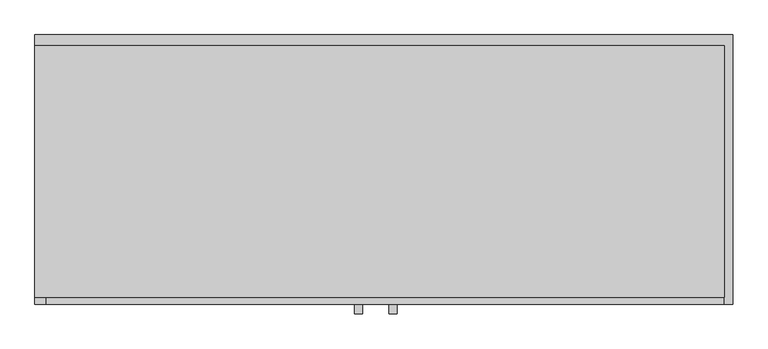
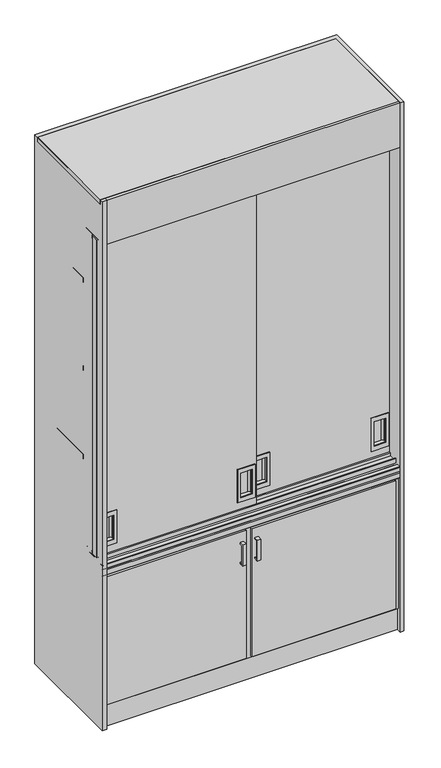
"""IFC4 building model written with IfcOpenShell, lengths in millimetres: furniture geometry."""

from ifc_helpers import new_model, si_unit, point, frame, frame_2d, origin, origin_with_axes, place, context, project, spatial, polyline, circle_curve, trimmed, segment, composite_curve, outline, extrude, source, transform, mapped, element, save
from ifc_brep_helpers import plane_surface, revolved_surface, advanced_brep


def furniture_bfd0f9ec(model_context):
    return source(origin(), model_context, "Body", "SolidModel", [
        extrude(outline(polyline([(1085.0, -487.0036021), (-193.7887178, -487.0036021), (-193.7887178, -20.0), (1085.0, -20.0), (1085.0, -487.0036021)])), frame((0.0, 0.0, 2380.0), z_axis=(0.0, 0.0, 1.0), x_axis=(1.0, 0.0, 0.0)), (0.0, 0.0, 1.0), 20.0),
        extrude(outline(polyline([(950.0, 570.0), (950.0, 495.0), (800.0, 495.0), (800.0, 570.0), (950.0, 570.0)]), holes=[polyline([(930.0, 507.5), (930.0, 557.5), (820.0, 557.5), (820.0, 507.5), (930.0, 507.5)])]), frame((0.0, -422.5, 0.0), z_axis=(0.0, 1.0, 0.0), x_axis=(0.0, 0.0, 1.0)), (0.0, 0.0, 1.0), 2.5),
        extrude(outline(polyline([(950.0, 483.75), (950.0, 408.75), (800.0, 408.75), (800.0, 483.75), (950.0, 483.75)]), holes=[polyline([(930.0, 421.25), (930.0, 471.25), (820.0, 471.25), (820.0, 421.25), (930.0, 421.25)])]), frame((0.0, -462.5, 0.0), z_axis=(0.0, 1.0, 0.0), x_axis=(0.0, 0.0, 1.0)), (0.0, 0.0, 1.0), 2.5),
        extrude(outline(polyline([(950.0, 1080.0), (950.0, 1005.0), (800.0, 1005.0), (800.0, 1080.0), (950.0, 1080.0)]), holes=[polyline([(930.0, 1017.5), (930.0, 1067.5), (820.0, 1067.5), (820.0, 1017.5), (930.0, 1017.5)])]), frame((0.0, -422.5, 0.0), z_axis=(0.0, 1.0, 0.0), x_axis=(0.0, 0.0, 1.0)), (0.0, 0.0, 1.0), 2.5),
        advanced_brep(
        [(489.1451604, -390.0, 2200.0), (489.1451604, -420.0, 2200.0), (1085.0, -420.0, 2200.0), (1085.0, -390.0, 2200.0), (489.1451604, -390.0, 760.0), (1085.0, -390.0, 760.0), (1085.0, -420.0, 760.0), (489.1451604, -420.0, 760.0), (1017.5, -420.0, 930.0), (1067.5, -420.0, 930.0), (1067.5, -420.0, 820.0), (1017.5, -420.0, 820.0), (507.5, -420.0, 930.0), (557.5, -420.0, 930.0), (557.5, -420.0, 820.0), (507.5, -420.0, 820.0), (1017.5, -410.5, 930.0), (1025.5, -402.5, 930.0), (1059.5, -402.5, 930.0), (1067.5, -410.5, 930.0), (1067.5, -410.5, 820.0), (1059.5, -402.5, 820.0), (1025.5, -402.5, 820.0), (1017.5, -410.5, 820.0), (507.5, -410.5, 930.0), (515.5, -402.5, 930.0), (549.5, -402.5, 930.0), (557.5, -410.5, 930.0), (557.5, -410.5, 820.0), (549.5, -402.5, 820.0), (515.5, -402.5, 820.0), (507.5, -410.5, 820.0)],
        [
            (0, 1),
            (1, 2),
            (2, 3),
            (3, 0),
            (4, 5),
            (5, 6),
            (6, 7),
            (7, 4),
            (0, 4),
            (7, 1),
            (6, 2),
            (8, 9),
            (9, 10),
            (10, 11),
            (11, 8),
            (12, 13),
            (13, 14),
            (14, 15),
            (15, 12),
            (5, 3),
            (16, 17, circle_curve(frame((1025.5, -410.5, 930.0), z_axis=(0.0, 0.0, -1.0), x_axis=(1.0, 0.0, 0.0)), 8.0)),
            (17, 18),
            (18, 19, circle_curve(frame((1059.5, -410.5, 930.0), z_axis=(0.0, 0.0, -1.0), x_axis=(-1.0, 0.0, 0.0)), 8.0)),
            (19, 9),
            (8, 16),
            (20, 21, circle_curve(frame((1059.5, -410.5, 820.0), z_axis=(0.0, 0.0, 1.0), x_axis=(-1.0, 0.0, 0.0)), 8.0)),
            (21, 22),
            (22, 23, circle_curve(frame((1025.5, -410.5, 820.0), z_axis=(0.0, 0.0, 1.0), x_axis=(1.0, 0.0, 0.0)), 8.0)),
            (23, 11),
            (10, 20),
            (19, 20),
            (18, 21),
            (17, 22),
            (16, 23),
            (24, 25, circle_curve(frame((515.5, -410.5, 930.0), z_axis=(0.0, 0.0, -1.0), x_axis=(1.0, 0.0, 0.0)), 8.0)),
            (25, 26),
            (26, 27, circle_curve(frame((549.5, -410.5, 930.0), z_axis=(0.0, 0.0, -1.0), x_axis=(-1.0, 0.0, 0.0)), 8.0)),
            (27, 13),
            (12, 24),
            (28, 29, circle_curve(frame((549.5, -410.5, 820.0), z_axis=(0.0, 0.0, 1.0), x_axis=(-1.0, 0.0, 0.0)), 8.0)),
            (29, 30),
            (30, 31, circle_curve(frame((515.5, -410.5, 820.0), z_axis=(0.0, 0.0, 1.0), x_axis=(1.0, 0.0, 0.0)), 8.0)),
            (31, 15),
            (14, 28),
            (27, 28),
            (26, 29),
            (25, 30),
            (24, 31),
        ],
        [
            plane_surface(frame((489.1451604, -420.0, 2200.0), z_axis=(0.0, 0.0, 1.0), x_axis=(0.0, -1.0, 0.0))),
            plane_surface(frame((489.1451604, -420.0, 760.0), z_axis=(0.0, 0.0, -1.0), x_axis=(0.0, 1.0, 0.0))),
            plane_surface(frame((489.1451604, -390.0, 2200.0), z_axis=(-1.0, 0.0, 0.0), x_axis=(0.0, 0.0, -1.0))),
            plane_surface(frame((489.1451604, -420.0, 2200.0), z_axis=(0.0, -1.0, 0.0), x_axis=(0.0, 0.0, -1.0))),
            plane_surface(frame((1085.0, -420.0, 2200.0), z_axis=(1.0, 0.0, 0.0), x_axis=(0.0, 0.0, -1.0))),
            plane_surface(frame((1085.0, -390.0, 2200.0), z_axis=(0.0, 1.0, 0.0), x_axis=(0.0, 0.0, -1.0))),
            plane_surface(frame((1017.5, -425.0, 930.0), z_axis=(0.0, 0.0, -1.0), x_axis=(1.0, 0.0, 0.0))),
            plane_surface(frame((1017.5, -425.0, 820.0), z_axis=(0.0, 0.0, 1.0), x_axis=(-1.0, 0.0, 0.0))),
            plane_surface(frame((1067.5, -425.0, 930.0), z_axis=(-1.0, 0.0, 0.0), x_axis=(0.0, 0.0, -1.0))),
            revolved_surface(polyline([(1051.5, -410.5, 930.0), (1051.5, -410.5, 820.0)]), (1059.5, -410.5, 820.0), (0.0, 0.0, 1.0)),
            plane_surface(frame((1059.5, -402.5, 930.0), z_axis=(0.0, -1.0, 0.0), x_axis=(0.0, 0.0, -1.0))),
            revolved_surface(polyline([(1033.5, -410.5, 930.0), (1033.5, -410.5, 820.0)]), (1025.5, -410.5, 820.0), (0.0, 0.0, 1.0)),
            plane_surface(frame((1017.5, -410.5, 930.0), z_axis=(1.0, 0.0, 0.0), x_axis=(0.0, 0.0, -1.0))),
            plane_surface(frame((557.5, -425.0, 930.0), z_axis=(0.0, 0.0, -1.0), x_axis=(0.0, 1.0, 0.0))),
            plane_surface(frame((557.5, -425.0, 820.0), z_axis=(0.0, 0.0, 1.0), x_axis=(0.0, -1.0, 0.0))),
            plane_surface(frame((557.5, -425.0, 930.0), z_axis=(-1.0, 0.0, 0.0), x_axis=(0.0, 0.0, -1.0))),
            revolved_surface(polyline([(541.5, -410.5, 930.0), (541.5, -410.5, 820.0)]), (549.5, -410.5, 820.0), (0.0, 0.0, 1.0)),
            plane_surface(frame((549.5, -402.5, 930.0), z_axis=(0.0, -1.0, 0.0), x_axis=(0.0, 0.0, -1.0))),
            revolved_surface(polyline([(523.5, -410.5, 930.0), (523.5, -410.5, 820.0)]), (515.5, -410.5, 820.0), (0.0, 0.0, 1.0)),
            plane_surface(frame((507.5, -410.5, 930.0), z_axis=(1.0, 0.0, 0.0), x_axis=(0.0, 0.0, -1.0))),
        ],
        [
            (0, [[1, 2, 3, 4]]),
            (1, [[5, 6, 7, 8]]),
            (2, [[-1, 9, -8, 10]]),
            (3, [[-2, -10, -7, 11], [12, 13, 14, 15], [16, 17, 18, 19]]),
            (4, [[-3, -11, -6, 20]]),
            (5, [[-4, -20, -5, -9]]),
            (6, [[21, 22, 23, 24, -12, 25]]),
            (7, [[26, 27, 28, 29, -14, 30]]),
            (8, [[31, -30, -13, -24]]),
            (9, [[-23, 32, -26, -31]]),
            (10, [[-22, 33, -27, -32]]),
            (11, [[-21, 34, -28, -33]]),
            (12, [[-34, -25, -15, -29]]),
            (13, [[35, 36, 37, 38, -16, 39]]),
            (14, [[40, 41, 42, 43, -18, 44]]),
            (15, [[45, -44, -17, -38]]),
            (16, [[-37, 46, -40, -45]]),
            (17, [[-36, 47, -41, -46]]),
            (18, [[-35, 48, -42, -47]]),
            (19, [[-48, -39, -19, -43]]),
        ],
    ),
        extrude(outline(polyline([(950.0, -110.0), (950.0, -185.0), (800.0, -185.0), (800.0, -110.0), (950.0, -110.0)]), holes=[polyline([(930.0, -172.5), (930.0, -122.5), (820.0, -122.5), (820.0, -172.5), (930.0, -172.5)])]), frame((0.0, -462.5, 0.0), z_axis=(0.0, 1.0, 0.0), x_axis=(0.0, 0.0, 1.0)), (0.0, 0.0, 1.0), 2.5),
        advanced_brep(
        [(-193.75, -430.0, 2200.0), (-193.75, -460.0, 2200.0), (489.1451604, -460.0, 2200.0), (489.1451604, -430.0, 2200.0), (-193.75, -430.0, 760.0), (489.1451604, -430.0, 760.0), (489.1451604, -460.0, 760.0), (-193.75, -460.0, 760.0), (-172.5, -460.0, 930.0), (-122.5, -460.0, 930.0), (-122.5, -460.0, 820.0), (-172.5, -460.0, 820.0), (421.25, -460.0, 930.0), (471.25, -460.0, 930.0), (471.25, -460.0, 820.0), (421.25, -460.0, 820.0), (-172.5, -450.5, 930.0), (-164.5, -442.5, 930.0), (-130.5, -442.5, 930.0), (-122.5, -450.5, 930.0), (-122.5, -450.5, 820.0), (-130.5, -442.5, 820.0), (-164.5, -442.5, 820.0), (-172.5, -450.5, 820.0), (421.25, -450.5, 930.0), (429.25, -442.5, 930.0), (463.25, -442.5, 930.0), (471.25, -450.5, 930.0), (471.25, -450.5, 820.0), (463.25, -442.5, 820.0), (429.25, -442.5, 820.0), (421.25, -450.5, 820.0)],
        [
            (0, 1),
            (1, 2),
            (2, 3),
            (3, 0),
            (4, 5),
            (5, 6),
            (6, 7),
            (7, 4),
            (0, 4),
            (7, 1),
            (6, 2),
            (8, 9),
            (9, 10),
            (10, 11),
            (11, 8),
            (12, 13),
            (13, 14),
            (14, 15),
            (15, 12),
            (5, 3),
            (16, 17, circle_curve(frame((-164.5, -450.5, 930.0), z_axis=(0.0, 0.0, -1.0), x_axis=(1.0, 0.0, 0.0)), 8.0)),
            (17, 18),
            (18, 19, circle_curve(frame((-130.5, -450.5, 930.0), z_axis=(0.0, 0.0, -1.0), x_axis=(-1.0, 0.0, 0.0)), 8.0)),
            (19, 9),
            (8, 16),
            (20, 21, circle_curve(frame((-130.5, -450.5, 820.0), z_axis=(0.0, 0.0, 1.0), x_axis=(-1.0, 0.0, 0.0)), 8.0)),
            (21, 22),
            (22, 23, circle_curve(frame((-164.5, -450.5, 820.0), z_axis=(0.0, 0.0, 1.0), x_axis=(1.0, 0.0, 0.0)), 8.0)),
            (23, 11),
            (10, 20),
            (23, 16),
            (19, 20),
            (18, 21),
            (17, 22),
            (24, 25, circle_curve(frame((429.25, -450.5, 930.0), z_axis=(0.0, 0.0, -1.0), x_axis=(1.0, 0.0, 0.0)), 8.0)),
            (25, 26),
            (26, 27, circle_curve(frame((463.25, -450.5, 930.0), z_axis=(0.0, 0.0, -1.0), x_axis=(-1.0, 0.0, 0.0)), 8.0)),
            (27, 13),
            (12, 24),
            (28, 29, circle_curve(frame((463.25, -450.5, 820.0), z_axis=(0.0, 0.0, 1.0), x_axis=(-1.0, 0.0, 0.0)), 8.0)),
            (29, 30),
            (30, 31, circle_curve(frame((429.25, -450.5, 820.0), z_axis=(0.0, 0.0, 1.0), x_axis=(1.0, 0.0, 0.0)), 8.0)),
            (31, 15),
            (14, 28),
            (27, 28),
            (26, 29),
            (25, 30),
            (24, 31),
        ],
        [
            plane_surface(frame((-193.75, -460.0, 2200.0), z_axis=(0.0, 0.0, 1.0), x_axis=(0.0, -1.0, 0.0))),
            plane_surface(frame((-193.75, -460.0, 760.0), z_axis=(0.0, 0.0, -1.0), x_axis=(0.0, 1.0, 0.0))),
            plane_surface(frame((-193.75, -430.0, 2200.0), z_axis=(-1.0, 0.0, 0.0), x_axis=(0.0, 0.0, -1.0))),
            plane_surface(frame((-193.75, -460.0, 2200.0), z_axis=(0.0, -1.0, 0.0), x_axis=(0.0, 0.0, -1.0))),
            plane_surface(frame((489.1451604, -460.0, 2200.0), z_axis=(1.0, 0.0, 0.0), x_axis=(0.0, 0.0, -1.0))),
            plane_surface(frame((489.1451604, -430.0, 2200.0), z_axis=(0.0, 1.0, 0.0), x_axis=(0.0, 0.0, -1.0))),
            plane_surface(frame((-172.5, -462.5, 930.0), z_axis=(0.0, 0.0, -1.0), x_axis=(0.0, -1.0, 0.0))),
            plane_surface(frame((-172.5, -462.5, 820.0), z_axis=(0.0, 0.0, 1.0), x_axis=(0.0, 1.0, 0.0))),
            plane_surface(frame((-172.5, -450.5, 930.0), z_axis=(1.0, 0.0, 0.0), x_axis=(0.0, 0.0, -1.0))),
            plane_surface(frame((-122.5, -465.0, 930.0), z_axis=(-1.0, 0.0, 0.0), x_axis=(0.0, 0.0, -1.0))),
            revolved_surface(polyline([(-138.5, -450.5, 930.0), (-138.5, -450.5, 820.0)]), (-130.5, -450.5, 820.0), (0.0, 0.0, 1.0)),
            plane_surface(frame((-130.5, -442.5, 930.0), z_axis=(0.0, -1.0, 0.0), x_axis=(0.0, 0.0, -1.0))),
            revolved_surface(polyline([(-156.5, -450.5, 930.0), (-156.5, -450.5, 820.0)]), (-164.5, -450.5, 820.0), (0.0, 0.0, 1.0)),
            plane_surface(frame((793.75, -465.0, 930.0), z_axis=(0.0, 0.0, -1.0), x_axis=(1.0, 0.0, 0.0))),
            plane_surface(frame((793.75, -465.0, 820.0), z_axis=(0.0, 0.0, 1.0), x_axis=(-1.0, 0.0, 0.0))),
            plane_surface(frame((471.25, -465.0, 930.0), z_axis=(-1.0, 0.0, 0.0), x_axis=(0.0, 0.0, -1.0))),
            revolved_surface(polyline([(455.25, -450.5, 930.0), (455.25, -450.5, 820.0)]), (463.25, -450.5, 820.0), (0.0, 0.0, 1.0)),
            plane_surface(frame((463.25, -442.5, 930.0), z_axis=(0.0, -1.0, 0.0), x_axis=(0.0, 0.0, -1.0))),
            revolved_surface(polyline([(437.25, -450.5, 930.0), (437.25, -450.5, 820.0)]), (429.25, -450.5, 820.0), (0.0, 0.0, 1.0)),
            plane_surface(frame((421.25, -450.5, 930.0), z_axis=(1.0, 0.0, 0.0), x_axis=(0.0, 0.0, -1.0))),
        ],
        [
            (0, [[1, 2, 3, 4]]),
            (1, [[5, 6, 7, 8]]),
            (2, [[-1, 9, -8, 10]]),
            (3, [[-2, -10, -7, 11], [12, 13, 14, 15], [16, 17, 18, 19]]),
            (4, [[-3, -11, -6, 20]]),
            (5, [[-4, -20, -5, -9]]),
            (6, [[21, 22, 23, 24, -12, 25]]),
            (7, [[26, 27, 28, 29, -14, 30]]),
            (8, [[31, -25, -15, -29]]),
            (9, [[32, -30, -13, -24]]),
            (10, [[-23, 33, -26, -32]]),
            (11, [[-22, 34, -27, -33]]),
            (12, [[-21, -31, -28, -34]]),
            (13, [[35, 36, 37, 38, -16, 39]]),
            (14, [[40, 41, 42, 43, -18, 44]]),
            (15, [[45, -44, -17, -38]]),
            (16, [[-37, 46, -40, -45]]),
            (17, [[-36, 47, -41, -46]]),
            (18, [[-35, 48, -42, -47]]),
            (19, [[-48, -39, -19, -43]]),
        ],
    ),
        extrude(outline(polyline([(1100.0, 0.0), (1100.0, -500.0), (1085.0, -500.0), (1085.0, -20.0), (-173.7887178, -20.0), (-173.7887178, -500.0), (-193.7887178, -500.0), (-193.7887178, 0.0), (1100.0, 0.0)])), origin_with_axes(), (0.0, 0.0, 1.0), 2400.0),
        extrude(outline(polyline([(1085.0, -20.0), (1085.0, -360.0), (-193.7887178, -360.0), (-193.7887178, -20.0), (1085.0, -20.0)])), frame((0.0, 0.0, 1950.0), z_axis=(0.0, 0.0, 1.0), x_axis=(1.0, 0.0, 0.0)), (0.0, 0.0, 1.0), 20.0),
        extrude(outline(polyline([(-193.75, -360.0), (-193.75, -20.0), (1085.0, -20.0), (1085.0, -360.0), (-193.75, -360.0)])), frame((0.0, 0.0, 1550.0), z_axis=(0.0, 0.0, 1.0), x_axis=(1.0, 0.0, 0.0)), (0.0, 0.0, 1.0), 20.0),
        extrude(outline(polyline([(1085.0, -20.0), (1085.0, -360.0), (-193.75, -360.0), (-193.75, -20.0), (1085.0, -20.0)])), frame((0.0, 0.0, 1150.0), z_axis=(0.0, 0.0, 1.0), x_axis=(1.0, 0.0, 0.0)), (0.0, 0.0, 1.0), 20.0),
        extrude(outline(polyline([(-470.0, 2210.0), (-382.680609, 2210.0), (-382.680609, 2190.0), (-387.680609, 2190.0), (-387.680609, 2205.0), (-422.680609, 2205.0), (-422.680609, 2190.0), (-427.680609, 2190.0), (-427.680609, 2205.0), (-465.0, 2205.0), (-465.0, 2190.0), (-470.0, 2190.0), (-470.0, 2210.0)])), frame((-193.7887178, 0.0, 0.0), z_axis=(1.0, 0.0, 0.0), x_axis=(0.0, 1.0, 0.0)), (0.0, 0.0, 1.0), 1278.7887178),
        extrude(outline(polyline([(-470.0, 750.0), (-470.0, 770.0), (-465.0, 770.0), (-465.0, 755.0), (-427.680609, 755.0), (-427.680609, 770.0), (-422.680609, 770.0), (-422.680609, 755.0), (-387.680609, 755.0), (-387.680609, 770.0), (-382.680609, 770.0), (-382.680609, 750.0), (-470.0, 750.0)])), frame((-193.75, 0.0, 0.0), z_axis=(1.0, 0.0, 0.0), x_axis=(0.0, 1.0, 0.0)), (0.0, 0.0, 1.0), 1278.75),
        extrude(outline(polyline([(-517.0036021, 645.0), (-497.0036021, 645.0), (-497.0036021, 640.0), (-512.0036021, 640.0), (-512.0036021, 555.0), (-497.0036021, 555.0), (-497.0036021, 550.0), (-517.0036021, 550.0), (-517.0036021, 645.0)])), frame((462.5, 0.0, 0.0), z_axis=(1.0, 0.0, 0.0), x_axis=(0.0, 1.0, 0.0)), (0.0, 0.0, 1.0), 15.0),
        extrude(outline(polyline([(-517.0036021, 645.0), (-497.0036021, 645.0), (-497.0036021, 640.0), (-512.0036021, 640.0), (-512.0036021, 555.0), (-497.0036021, 555.0), (-497.0036021, 550.0), (-517.0036021, 550.0), (-517.0036021, 645.0)])), frame((398.75, 0.0, 0.0), z_axis=(1.0, 0.0, 0.0), x_axis=(0.0, 1.0, 0.0)), (0.0, 0.0, 1.0), 15.0),
        extrude(outline(polyline([(-172.5, -487.0036021), (426.25, -487.0036021), (426.25, -497.0036021), (-172.5, -497.0036021), (-172.5, -487.0036021)])), frame((0.0, 0.0, 110.0), z_axis=(0.0, 0.0, 1.0), x_axis=(1.0, 0.0, 0.0)), (0.0, 0.0, 1.0), 580.0),
        extrude(outline(polyline([(449.1181086, -487.0036021), (1067.5, -487.0036021), (1067.5, -497.0036021), (449.1181086, -497.0036021), (449.1181086, -487.0036021)])), frame((0.0, 0.0, 110.0), z_axis=(0.0, 0.0, 1.0), x_axis=(1.0, 0.0, 0.0)), (0.0, 0.0, 1.0), 580.0),
        extrude(outline(polyline([(1085.0, -500.0), (-193.7887178, -500.0), (-193.7887178, -487.0036021), (1085.0, -487.0036021), (1085.0, -500.0)])), frame((0.0, 0.0, 2200.0), z_axis=(0.0, 0.0, 1.0), x_axis=(1.0, 0.0, 0.0)), (0.0, 0.0, 1.0), 200.0),
        extrude(outline(composite_curve([segment(polyline([(-480.0, 700.0), (-498.2645772, 700.0)]), True, "CONTINUOUS"), segment(trimmed(circle_curve(frame_2d((-498.2645772, 701.7354228)), 1.7354228), [point((-498.2645772, 700.0))], [point((-500.0, 701.7354228))], False, "CARTESIAN"), True, "CONTINUOUS"), segment(polyline([(-500.0, 701.7354228), (-500.0, 722.9289322), (-496.4644661, 726.4644661), (-500.0, 730.0), (-500.0, 748.2645772)]), True, "CONTINUOUS"), segment(trimmed(circle_curve(frame_2d((-498.2645772, 748.2645772)), 1.7354228), [point((-500.0, 748.2645772))], [point((-498.2645772, 750.0))], False, "CARTESIAN"), True, "CONTINUOUS"), segment(polyline([(-498.2645772, 750.0), (-480.0, 750.0), (-480.0, 700.0)]), True, "CONTINUOUS")], self_intersect=False)), frame((-193.7887178, 0.0, 0.0), z_axis=(1.0, 0.0, 0.0), x_axis=(0.0, 1.0, 0.0)), (0.0, 0.0, 1.0), 1278.7887178),
        extrude(outline(polyline([(1085.0, -487.0036021), (-172.5, -487.0036021), (-172.5, -480.0), (1085.0, -480.0), (1085.0, -487.0036021)])), frame((0.0, 0.0, 100.0), z_axis=(0.0, 0.0, 1.0), x_axis=(1.0, 0.0, 0.0)), (0.0, 0.0, 1.0), 600.0),
        extrude(outline(polyline([(1067.5, -20.0), (1067.5, -480.0), (-193.7887178, -480.0), (-193.7887178, -20.0), (1067.5, -20.0)])), frame((0.0, 0.0, 730.0), z_axis=(0.0, 0.0, 1.0), x_axis=(1.0, 0.0, 0.0)), (0.0, 0.0, 1.0), 20.0),
        extrude(outline(polyline([(-193.7887178, -460.0), (1085.0, -460.0), (1085.0, -480.0), (-193.7887178, -480.0), (-193.7887178, -460.0)])), origin_with_axes(), (0.0, 0.0, 1.0), 100.0),
    ])


if __name__ == "__main__":
    model = new_model("IFC4")
    model_context = context("Model", 3, world=origin())
    ifc_project = project(units=[si_unit("LENGTHUNIT", "METRE", prefix="MILLI")], contexts=[model_context])
    site = spatial("IfcSite", under=ifc_project)
    building = spatial("IfcBuilding", under=site)
    placement = place(None, origin())
    furniture_shape = furniture_bfd0f9ec(model_context)
    element("IfcFurniture", 1, at=placement, inside=building, context=model_context, shape_type="MappedRepresentation", body=[
        mapped(furniture_shape, transform((0.0, 0.0, 0.0), x_axis=(1.0, 0.0, 0.0), y_axis=(0.0, 1.0, 0.0), z_axis=(0.0, 0.0, 1.0))),
    ])
    save(model, "model.ifc")
